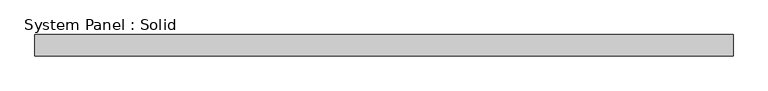
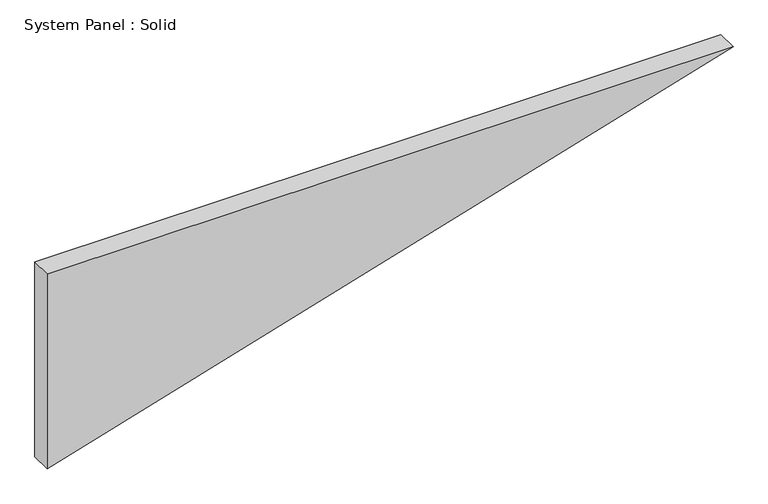
"""IFC4 building model written with IfcOpenShell, lengths in millimetres: plate geometry, System Panel : Solid."""

import ifcopenshell
import ifcopenshell.guid

model = None  # the IFC model being written
_history = None  # IfcOwnerHistory: only IFC2X3 demands one
_inside = {}  # id of a spatial element -> (the spatial element, [elements in it])
_under = {}  # id of a project, library or spatial element -> (it, [spatial elements below it])
_declared = {}  # id of a project -> (the project, [libraries it declares])
_typed = {}  # id of a type object -> (the type object, [elements of that type])
_made_of = {}  # id of a material, layer set ... -> (it, [elements and type objects made of it])


def new_model(schema):
    """Start an empty IFC model of exactly this schema.

    Asked for "IFC4X3", IfcOpenShell would pick the latest addendum, in which some entities
    have other attributes; the version numbers below select the first issue.
    IFC2X3 requires an IfcOwnerHistory on every rooted entity: one is made here for all.
    """
    global model, _history
    if schema == "IFC4X3":
        model = ifcopenshell.file(schema_version=(4, 3, 0, 0))
    else:
        model = ifcopenshell.file(schema=schema)
    _inside.clear()
    _under.clear()
    _declared.clear()
    _typed.clear()
    _made_of.clear()
    _history = None
    if model.schema == "IFC2X3":
        org = make("IfcOrganization", Name="unknown")
        user = make(
            "IfcPersonAndOrganization",
            ThePerson=make("IfcPerson", FamilyName="unknown"),
            TheOrganization=org,
        )
        app = make(
            "IfcApplication",
            ApplicationDeveloper=org,
            Version="unknown",
            ApplicationFullName="unknown",
            ApplicationIdentifier="unknown",
        )
        _history = make(
            "IfcOwnerHistory",
            OwningUser=user,
            OwningApplication=app,
            ChangeAction="ADDED",
            CreationDate=0,
        )
    return model


def make(cls, **values):
    """One entity of the class cls with the attributes given. An attribute that is None is left unset."""
    return model.create_entity(
        cls, **{name: value for name, value in values.items() if value is not None}
    )


def rooted(cls, **values):
    """An entity with a GlobalId (a new one), such as an element, a storey or a relation."""
    return make(cls, GlobalId=ifcopenshell.guid.new(), OwnerHistory=_history, **values)


def si_unit(unit_type, name, prefix=None):
    """IfcSIUnit, for example si_unit("LENGTHUNIT", "METRE", prefix="MILLI")."""
    return make("IfcSIUnit", UnitType=unit_type, Prefix=prefix, Name=name)


def assignment(units):
    """IfcUnitAssignment: the units of a project."""
    return None if units is None else make("IfcUnitAssignment", Units=units)


def point(xyz):
    """IfcCartesianPoint."""
    return None if xyz is None else make("IfcCartesianPoint", Coordinates=xyz)


def direction(xyz):
    """IfcDirection."""
    return None if xyz is None else make("IfcDirection", DirectionRatios=xyz)


def frame(location, z_axis=None, x_axis=None):
    """IfcAxis2Placement3D, a coordinate frame: its origin and axes. An axis left out is left unset."""
    return make(
        "IfcAxis2Placement3D",
        Location=point(location),
        Axis=direction(z_axis),
        RefDirection=direction(x_axis),
    )


def origin():
    """The frame at (0, 0, 0) with its axes left unset."""
    return frame((0.0, 0.0, 0.0))


def place(relative_to, where):
    """IfcLocalPlacement: puts the frame where relative to a parent placement (None: the world)."""
    return make(
        "IfcLocalPlacement", PlacementRelTo=relative_to, RelativePlacement=where
    )


def context(
    kind, dimensions, precision=None, world=None, true_north=None, identifier=None
):
    """IfcGeometricRepresentationContext, for example the 3D "Model" context."""
    return make(
        "IfcGeometricRepresentationContext",
        ContextIdentifier=identifier,
        ContextType=kind,
        CoordinateSpaceDimension=dimensions,
        Precision=precision,
        WorldCoordinateSystem=world,
        TrueNorth=true_north,
    )


def project(units=None, contexts=None):
    """IfcProject with its units and contexts."""
    return rooted(
        "IfcProject",
        Name="project",
        RepresentationContexts=contexts,
        UnitsInContext=assignment(units),
    )


def spatial(cls, under=None, at=None, **own):
    """A site, building, storey or space (cls), placed at a placement, below another one or the project."""
    s = rooted(cls, ObjectPlacement=at, **own)
    if under is not None:
        _under.setdefault(under.id(), (under, []))[1].append(s)
    return s


def polyline(points):
    """IfcPolyline through the points."""
    return make("IfcPolyline", Points=[point(p) for p in points])


def outline(outer, holes=None, kind="AREA"):
    """IfcArbitraryClosedProfileDef: a profile drawn as a closed curve; with holes, ...WithVoids."""
    if holes is None:
        return make("IfcArbitraryClosedProfileDef", ProfileType=kind, OuterCurve=outer)
    return make(
        "IfcArbitraryProfileDefWithVoids",
        ProfileType=kind,
        OuterCurve=outer,
        InnerCurves=holes,
    )


def extrude(swept, where, along, depth):
    """IfcExtrudedAreaSolid: the profile swept, set in the frame where, extruded along a direction by depth."""
    return make(
        "IfcExtrudedAreaSolid",
        SweptArea=swept,
        Position=where,
        ExtrudedDirection=direction(along),
        Depth=depth,
    )


def shape(context_of_items, identifier, shape_type, items):
    """IfcShapeRepresentation: the items that make up one representation, for example the "Body"."""
    return make(
        "IfcShapeRepresentation",
        ContextOfItems=context_of_items,
        RepresentationIdentifier=identifier,
        RepresentationType=shape_type,
        Items=items,
    )


def source(mapping_origin, context_of_items, identifier, shape_type, items):
    """IfcRepresentationMap: a shape defined once, which mapped items show again and again."""
    return make(
        "IfcRepresentationMap",
        MappingOrigin=mapping_origin,
        MappedRepresentation=shape(context_of_items, identifier, shape_type, items),
    )


def transform(
    local_origin,
    x_axis=None,
    y_axis=None,
    z_axis=None,
    scale=None,
    scale2=None,
    scale3=None,
    uniform=True,
):
    """IfcCartesianTransformationOperator3D, or its non-uniform kind. x_axis, y_axis, z_axis: its Axis1, 2, 3."""
    if uniform:
        return make(
            "IfcCartesianTransformationOperator3D",
            Axis1=direction(x_axis),
            Axis2=direction(y_axis),
            LocalOrigin=point(local_origin),
            Scale=scale,
            Axis3=direction(z_axis),
        )
    return make(
        "IfcCartesianTransformationOperator3DnonUniform",
        Axis1=direction(x_axis),
        Axis2=direction(y_axis),
        LocalOrigin=point(local_origin),
        Scale=scale,
        Axis3=direction(z_axis),
        Scale2=scale2,
        Scale3=scale3,
    )


def mapped(mapping_source, mapping_target):
    """IfcMappedItem: shows the shape of a source again, moved by a transform."""
    return make(
        "IfcMappedItem", MappingSource=mapping_source, MappingTarget=mapping_target
    )


def made_of(thing, what):
    """Note that an element or type object is made of a material, layer set ...; save() writes the relation."""
    if what is not None:
        _made_of.setdefault(what.id(), (what, []))[1].append(thing)
    return thing


def element(
    cls,
    number,
    at=None,
    inside=None,
    cuts=None,
    type_object=None,
    material=None,
    context=None,
    identifier="Body",
    shape_type=None,
    held_by="IfcProductDefinitionShape",
    body=None,
    shapes=None,
    **own,
):
    """One element of the class cls, such as IfcWall. Its Tag is "e" and its number.

    at: its placement. inside: the storey or other place that contains it. cuts: it is an
    opening in that element (IfcRelVoidsElement). A single representation is given by context,
    identifier, shape_type and body (its items); several are given by shapes. held_by: the class
    of the entity that holds the representations. save() writes the other relations.
    """
    e = rooted(cls, Tag="e%d" % number, ObjectPlacement=at, **own)
    if body is not None:
        shapes = [shape(context, identifier, shape_type, body)]
    if shapes is not None:
        e.Representation = make(held_by, Representations=shapes)
    if inside is not None:
        _inside.setdefault(inside.id(), (inside, []))[1].append(e)
    if cuts is not None:
        rooted(
            "IfcRelVoidsElement", RelatingBuildingElement=cuts, RelatedOpeningElement=e
        )
    if type_object is not None:
        _typed.setdefault(type_object.id(), (type_object, []))[1].append(e)
    return made_of(e, material)


def aggregate(whole, parts):
    """IfcRelAggregates: a whole, such as a stair, and the parts it consists of."""
    return rooted("IfcRelAggregates", RelatingObject=whole, RelatedObjects=parts)


def save(model, path):
    """Write the relations noted so far, then the file.

    IfcRelAggregates (storeys below a building ...), IfcRelContainedInSpatialStructure (elements
    in a storey), IfcRelDefinesByType, IfcRelAssociatesMaterial and IfcRelDeclares: one each for
    every whole, place, type object, material and project.
    """
    for whole, parts in _under.values():
        aggregate(whole, parts)
    for where, things in _inside.values():
        rooted(
            "IfcRelContainedInSpatialStructure",
            RelatedElements=things,
            RelatingStructure=where,
        )
    for kind, things in _typed.values():
        rooted("IfcRelDefinesByType", RelatedObjects=things, RelatingType=kind)
    for what, things in _made_of.values():
        rooted("IfcRelAssociatesMaterial", RelatedObjects=things, RelatingMaterial=what)
    for by, libraries in _declared.values():
        rooted("IfcRelDeclares", RelatingContext=by, RelatedDefinitions=libraries)
    model.write(path)


def system_panel_solid_5a0c4401(model_context):
    return source(origin(), model_context, "Body", "SweptSolid", [
        extrude(outline(polyline([(589.4933943, -980.5811055), (0.0, -980.5811055), (589.4933943, 980.5811055), (589.4933943, -980.5811055)])), frame((0.0, -10.5, 0.0), z_axis=(0.0, 1.0, 0.0), x_axis=(0.0, 0.0, 1.0)), (0.0, 0.0, 1.0), 60.0),
    ])


if __name__ == "__main__":
    model = new_model("IFC4")
    model_context = context("Model", 3, world=origin())
    ifc_project = project(units=[si_unit("LENGTHUNIT", "METRE", prefix="MILLI")], contexts=[model_context])
    site = spatial("IfcSite", under=ifc_project)
    building = spatial("IfcBuilding", under=site)
    placement = place(None, origin())
    system_panel_solid_shape = system_panel_solid_5a0c4401(model_context)
    element("IfcPlate", 1, ObjectType="System Panel : Solid", at=placement, inside=building, context=model_context, shape_type="MappedRepresentation", body=[
        mapped(system_panel_solid_shape, transform((0.0, 0.0, 0.0), x_axis=(1.0, 0.0, 0.0), y_axis=(0.0, 1.0, 0.0), z_axis=(0.0, 0.0, 1.0))),
    ])
    save(model, "model.ifc")
